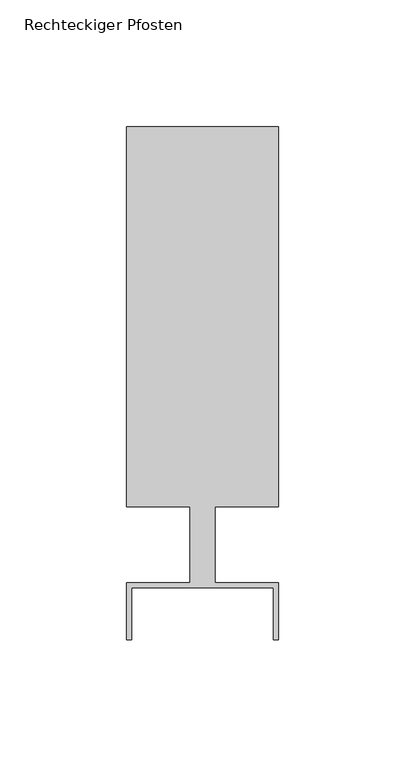
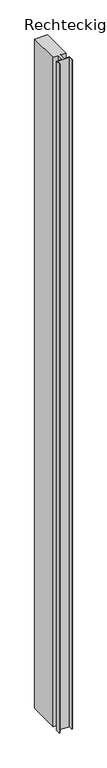
"""IFC4 building model written with IfcOpenShell, lengths in millimetres: member geometry, Rechteckiger Pfosten."""

from ifc_helpers import new_model, si_unit, frame, origin, place, context, project, spatial, polyline, outline, extrude, source, transform, mapped, element, save


def rechteckiger_pfosten_2113f11f(model_context):
    return source(origin(), model_context, "Body", "SweptSolid", [
        extrude(outline(polyline([(-58.0, -37.5), (-60.0, -37.5), (-60.0, -15.0), (-35.0, -15.0), (-35.0, 15.0), (-60.0, 15.0), (-60.0, 165.0), (0.0, 165.0), (0.0, 15.0), (-25.0, 15.0), (-25.0, -15.0), (0.0, -15.0), (0.0, -37.5), (-2.0, -37.5), (-2.0, -17.0), (-58.0, -17.0), (-58.0, -37.5)])), frame((0.0, 0.0, -3330.0), z_axis=(0.0, 0.0, 1.0), x_axis=(1.0, 0.0, 0.0)), (0.0, 0.0, 1.0), 3330.0),
    ])


if __name__ == "__main__":
    model = new_model("IFC4")
    model_context = context("Model", 3, world=origin())
    ifc_project = project(units=[si_unit("LENGTHUNIT", "METRE", prefix="MILLI")], contexts=[model_context])
    site = spatial("IfcSite", under=ifc_project)
    building = spatial("IfcBuilding", under=site)
    placement = place(None, origin())
    rechteckiger_pfosten_shape = rechteckiger_pfosten_2113f11f(model_context)
    element("IfcMember", 1, ObjectType="Rechteckiger Pfosten", at=placement, inside=building, context=model_context, shape_type="MappedRepresentation", body=[
        mapped(rechteckiger_pfosten_shape, transform((0.0, 0.0, 0.0), x_axis=(1.0, 0.0, 0.0), y_axis=(0.0, 1.0, 0.0), z_axis=(0.0, 0.0, 1.0))),
    ])
    save(model, "model.ifc")
